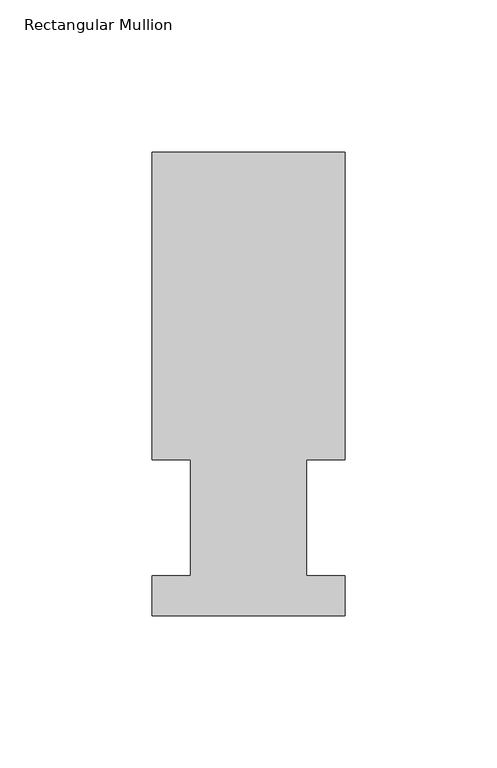
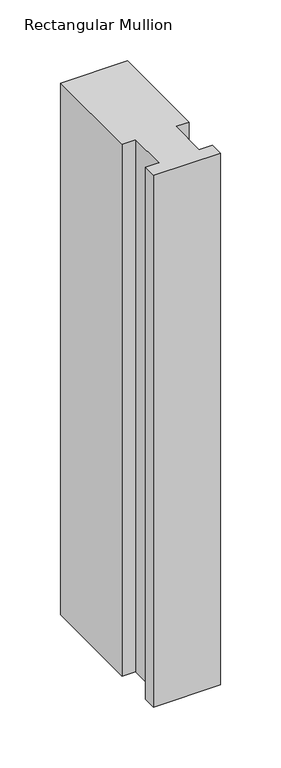
"""IFC4 building model written with IfcOpenShell, lengths in millimetres: member geometry, Rectangular Mullion."""

from ifc_helpers import new_model, si_unit, frame, origin, place, context, project, spatial, polyline, outline, extrude, source, transform, mapped, element, save


def rectangular_mullion_11664113(model_context):
    return source(origin(), model_context, "Body", "SweptSolid", [
        extrude(outline(polyline([(-63.5, 152.4896937), (0.0, 152.4896937), (0.0, 51.2960938), (-12.6873, 51.2960938), (-12.6873, 13.1960938), (0.0, 13.1960938), (0.0, 0.0134938), (-63.5, 0.0134938), (-63.5, 13.1960938), (-50.8, 13.1960938), (-50.8, 51.2960937), (-63.5, 51.2960937), (-63.5, 152.4896937)])), frame((0.0, 0.0, -533.4), z_axis=(0.0, 0.0, 1.0), x_axis=(1.0, 0.0, 0.0)), (0.0, 0.0, 1.0), 533.4),
    ])


if __name__ == "__main__":
    model = new_model("IFC4")
    model_context = context("Model", 3, world=origin())
    ifc_project = project(units=[si_unit("LENGTHUNIT", "METRE", prefix="MILLI")], contexts=[model_context])
    site = spatial("IfcSite", under=ifc_project)
    building = spatial("IfcBuilding", under=site)
    placement = place(None, origin())
    rectangular_mullion_shape = rectangular_mullion_11664113(model_context)
    element("IfcMember", 1, ObjectType="Rectangular Mullion", at=placement, inside=building, context=model_context, shape_type="MappedRepresentation", body=[
        mapped(rectangular_mullion_shape, transform((0.0, 0.0, 0.0), x_axis=(1.0, 0.0, 0.0), y_axis=(0.0, 1.0, 0.0), z_axis=(0.0, 0.0, 1.0))),
    ])
    save(model, "model.ifc")
